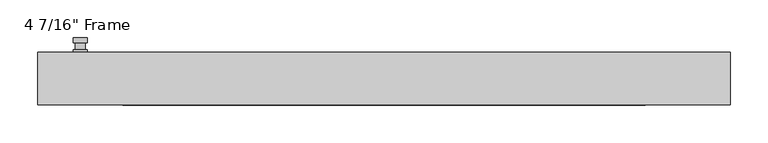
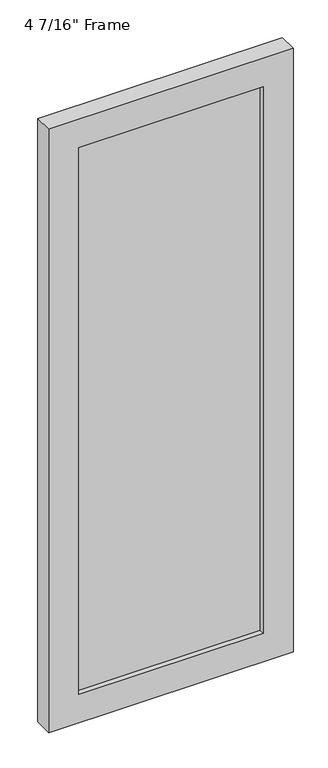
"""IFC4 building model written with IfcOpenShell, lengths in millimetres: plate geometry."""

from ifc_helpers import new_model, si_unit, frame, origin, place, context, project, spatial, polyline, circle_curve, outline, extrude, faceted_brep, source, transform, mapped, element, save
from ifc_brep_helpers import plane_surface, cylinder_surface, advanced_brep


def plate_8b701097(model_context):
    return source(origin(), model_context, "Body", "SolidModel", [
        advanced_brep(
        [(-392.90625, 34.925, 927.1), (-411.95625, 34.925, 927.1), (-411.95625, 34.925, 901.7), (-392.90625, 34.925, 901.7), (-396.08125, 47.625, 914.4), (-396.08125, 38.1, 914.4), (-408.78125, 38.1, 914.4), (-408.78125, 47.625, 914.4), (-392.90625, 47.625, 914.4), (-411.95625, 47.625, 914.4), (-408.7772144, 47.625, 825.2736467), (-396.0852856, 47.625, 825.2736467), (-392.90625, 53.975, 914.4), (-396.0852856, 53.975, 825.2736467), (-408.7772144, 53.975, 825.2736467), (-411.95625, 53.975, 914.4), (-392.90625, 38.1, 927.1), (-392.90625, 38.1, 901.7), (-411.95625, 38.1, 901.7), (-411.95625, 38.1, 927.1)],
        [
            (0, 1, circle_curve(frame((-402.43125, 34.925, 927.1), z_axis=(0.0, -1.0, 0.0), x_axis=(-1.0, 0.0, 0.0)), 9.525)),
            (1, 2),
            (2, 3, circle_curve(frame((-402.43125, 34.925, 901.7), z_axis=(0.0, -1.0, 0.0), x_axis=(-1.0, 0.0, 0.0)), 9.525)),
            (3, 0),
            (4, 5),
            (5, 6, circle_curve(frame((-402.43125, 38.1, 914.4), z_axis=(0.0, 1.0, 0.0), x_axis=(-1.0, 0.0, 0.0)), 6.35)),
            (6, 7),
            (7, 4, circle_curve(frame((-402.43125, 47.625, 914.4), z_axis=(0.0, -1.0, 0.0), x_axis=(-1.0, 0.0, 0.0)), 6.35)),
            (6, 5, circle_curve(frame((-402.43125, 38.1, 914.4), z_axis=(0.0, 1.0, 0.0), x_axis=(-1.0, 0.0, 0.0)), 6.35)),
            (4, 7, circle_curve(frame((-402.43125, 47.625, 914.4), z_axis=(0.0, -1.0, 0.0), x_axis=(-1.0, 0.0, 0.0)), 6.35)),
            (8, 9, circle_curve(frame((-402.43125, 47.625, 914.4), z_axis=(0.0, -1.0, 0.0), x_axis=(-1.0, 0.0, 0.0)), 9.525)),
            (9, 10),
            (10, 11, circle_curve(frame((-402.43125, 47.625, 825.5), z_axis=(0.0, -1.0, 0.0), x_axis=(-1.0, 0.0, 0.0)), 6.35)),
            (11, 8),
            (12, 13),
            (13, 14, circle_curve(frame((-402.43125, 53.975, 825.5), z_axis=(0.0, 1.0, 0.0), x_axis=(-1.0, 0.0, 0.0)), 6.35)),
            (14, 15),
            (15, 12, circle_curve(frame((-402.43125, 53.975, 914.4), z_axis=(0.0, 1.0, 0.0), x_axis=(-1.0, 0.0, 0.0)), 9.525)),
            (11, 13),
            (12, 8),
            (10, 14),
            (9, 15),
            (16, 17),
            (17, 18, circle_curve(frame((-402.43125, 38.1, 901.7), z_axis=(0.0, 1.0, 0.0), x_axis=(-1.0, 0.0, 0.0)), 9.525)),
            (18, 19),
            (19, 16, circle_curve(frame((-402.43125, 38.1, 927.1), z_axis=(0.0, 1.0, 0.0), x_axis=(-1.0, 0.0, 0.0)), 9.525)),
            (3, 17),
            (16, 0),
            (2, 18),
            (1, 19),
        ],
        [
            plane_surface(frame((-408.78125, 34.925, 914.4), z_axis=(0.0, -1.0, 0.0), x_axis=(0.0, 0.0, 1.0))),
            cylinder_surface(frame((-402.43125, 47.625, 914.4), z_axis=(0.0, -1.0, 0.0), x_axis=(-1.0, 0.0, 0.0)), 6.35),
            plane_surface(frame((-392.90625, 47.625, 914.4), z_axis=(0.0, -1.0000000000000002, 0.0), x_axis=(-0.03564619348186888, 0.0, -0.9993644724975235))),
            plane_surface(frame((-392.90625, 53.975, 914.4), z_axis=(0.0, 1.0000000000000002, 0.0), x_axis=(0.03564619348186888, 0.0, 0.9993644724975235))),
            plane_surface(frame((-392.90625, 47.625, 914.4), z_axis=(0.9993644724975235, 0.0, -0.03564619348186888), x_axis=(0.0, 1.0, 0.0))),
            cylinder_surface(frame((-402.43125, 53.975, 825.5), z_axis=(0.0, -1.0, 0.0), x_axis=(-1.0, 0.0, 0.0)), 6.35),
            plane_surface(frame((-408.7772144, 47.625, 825.2736467), z_axis=(-0.9993644724975228, 0.0, -0.03564619348188612), x_axis=(0.0, 1.0, 0.0))),
            cylinder_surface(frame((-402.43125, 53.975, 914.4), z_axis=(0.0, -1.0, 0.0), x_axis=(-1.0, 0.0, 0.0)), 9.525),
            plane_surface(frame((-392.90625, 38.1, 901.7), z_axis=(0.0, 1.0, 0.0), x_axis=(0.0, 0.0, 1.0))),
            plane_surface(frame((-392.90625, 34.925, 927.1), z_axis=(1.0, 0.0, 0.0), x_axis=(0.0, 1.0, 0.0))),
            cylinder_surface(frame((-402.43125, 38.1, 901.7), z_axis=(0.0, -1.0, 0.0), x_axis=(-1.0, 0.0, 0.0)), 9.525),
            plane_surface(frame((-411.95625, 34.925, 901.7), z_axis=(-1.0, 0.0, 0.0), x_axis=(0.0, 1.0, 0.0))),
            cylinder_surface(frame((-402.43125, 38.1, 927.1), z_axis=(0.0, -1.0, 0.0), x_axis=(-1.0, 0.0, 0.0)), 9.525),
        ],
        [
            (0, [[1, 2, 3, 4]]),
            (1, [[5, 6, 7, 8]]),
            (1, [[-7, 9, -5, 10]]),
            (2, [[11, 12, 13, 14], [-10, -8]]),
            (3, [[15, 16, 17, 18]]),
            (4, [[19, -15, 20, -14]]),
            (5, [[21, -16, -19, -13]]),
            (6, [[22, -17, -21, -12]]),
            (7, [[-20, -18, -22, -11]]),
            (8, [[23, 24, 25, 26], [-9, -6]]),
            (9, [[27, -23, 28, -4]]),
            (10, [[29, -24, -27, -3]]),
            (11, [[30, -25, -29, -2]]),
            (12, [[-28, -26, -30, -1]]),
        ],
    ),
        faceted_brep([(-458.7875, 34.925, 0.0), (458.7875, 34.925, 0.0), (458.7875, -34.925, 0.0), (-458.7875, -34.925, 0.0), (-346.075, -34.925, 2282.825), (-346.075, -34.925, 112.7125), (-346.075, -15.875, 112.7125), (-346.075, -15.875, 2282.825), (358.775, -15.875, 2295.525), (358.775, -15.875, 100.0125), (-358.775, -15.875, 100.0125), (-358.775, -15.875, 2295.525), (346.075, -15.875, 112.7125), (346.075, -15.875, 2282.825), (-358.775, 7.9375, 100.0125), (-358.775, 7.9375, 2295.525), (358.775, 7.9375, 100.0125), (358.775, 7.9375, 2295.525), (-346.075, 7.9375, 2282.825), (346.075, 7.9375, 2282.825), (346.075, 7.9375, 112.7125), (-346.075, 7.9375, 112.7125), (-346.075, 34.925, 112.7125), (-346.075, 34.925, 2282.825), (-458.7875, 34.925, 2395.5375), (458.7875, 34.925, 2395.5375), (346.075, 34.925, 112.7125), (346.075, 34.925, 2282.825), (-458.7875, -34.925, 2395.5375), (458.7875, -34.925, 2395.5375), (346.075, -34.925, 2282.825), (346.075, -34.925, 112.7125)], [[[0, 1, 2, 3]], [[4, 5, 6, 7]], [[8, 9, 10, 11], [7, 6, 12, 13]], [[10, 14, 15, 11]], [[15, 14, 16, 17], [18, 19, 20, 21]], [[18, 21, 22, 23]], [[0, 24, 25, 1], [23, 22, 26, 27]], [[3, 28, 24, 0]], [[2, 29, 28, 3], [4, 30, 31, 5]], [[7, 13, 30, 4]], [[11, 15, 17, 8]], [[18, 23, 27, 19]], [[24, 28, 29, 25]], [[13, 12, 31, 30]], [[16, 9, 8, 17]], [[27, 26, 20, 19]], [[25, 29, 2, 1]], [[22, 21, 20, 26]], [[9, 16, 14, 10]], [[6, 5, 31, 12]]]),
        extrude(outline(polyline([(358.775, 7.9375), (358.775, -15.875), (-358.775, -15.875), (-358.775, 7.9375), (358.775, 7.9375)])), frame((0.0, 0.0, 100.0125), z_axis=(0.0, 0.0, 1.0), x_axis=(1.0, 0.0, 0.0)), (0.0, 0.0, 1.0), 2195.5125),
    ])


if __name__ == "__main__":
    model = new_model("IFC4")
    model_context = context("Model", 3, world=origin())
    ifc_project = project(units=[si_unit("LENGTHUNIT", "METRE", prefix="MILLI")], contexts=[model_context])
    site = spatial("IfcSite", under=ifc_project)
    building = spatial("IfcBuilding", under=site)
    placement = place(None, origin())
    plate_shape = plate_8b701097(model_context)
    element("IfcPlate", 1, ObjectType="4 7/16\" Frame", at=placement, inside=building, context=model_context, shape_type="MappedRepresentation", body=[
        mapped(plate_shape, transform((0.0, 0.0, 0.0), x_axis=(1.0, 0.0, 0.0), y_axis=(0.0, 1.0, 0.0), z_axis=(0.0, 0.0, 1.0))),
    ])
    save(model, "model.ifc")
